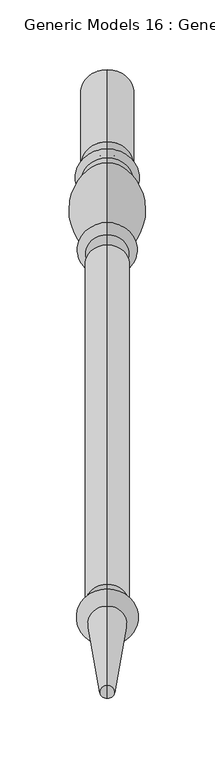
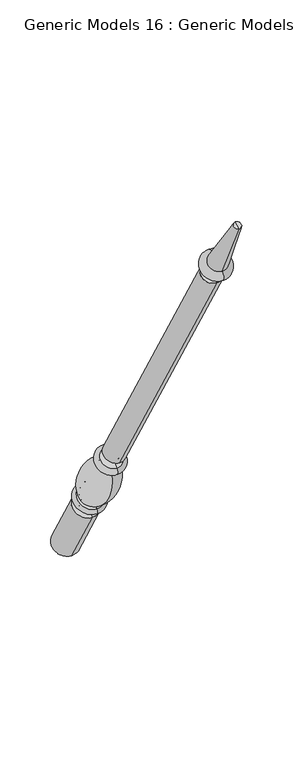
"""IFC4 building model written with IfcOpenShell, lengths in millimetres: proxy geometry, Generic Models 16 : Generic Models 2."""

import ifcopenshell
import ifcopenshell.guid

model = None  # the IFC model being written
_history = None  # IfcOwnerHistory: only IFC2X3 demands one
_inside = {}  # id of a spatial element -> (the spatial element, [elements in it])
_under = {}  # id of a project, library or spatial element -> (it, [spatial elements below it])
_declared = {}  # id of a project -> (the project, [libraries it declares])
_typed = {}  # id of a type object -> (the type object, [elements of that type])
_made_of = {}  # id of a material, layer set ... -> (it, [elements and type objects made of it])


def new_model(schema):
    """Start an empty IFC model of exactly this schema.

    Asked for "IFC4X3", IfcOpenShell would pick the latest addendum, in which some entities
    have other attributes; the version numbers below select the first issue.
    IFC2X3 requires an IfcOwnerHistory on every rooted entity: one is made here for all.
    """
    global model, _history
    if schema == "IFC4X3":
        model = ifcopenshell.file(schema_version=(4, 3, 0, 0))
    else:
        model = ifcopenshell.file(schema=schema)
    _inside.clear()
    _under.clear()
    _declared.clear()
    _typed.clear()
    _made_of.clear()
    _history = None
    if model.schema == "IFC2X3":
        org = make("IfcOrganization", Name="unknown")
        user = make(
            "IfcPersonAndOrganization",
            ThePerson=make("IfcPerson", FamilyName="unknown"),
            TheOrganization=org,
        )
        app = make(
            "IfcApplication",
            ApplicationDeveloper=org,
            Version="unknown",
            ApplicationFullName="unknown",
            ApplicationIdentifier="unknown",
        )
        _history = make(
            "IfcOwnerHistory",
            OwningUser=user,
            OwningApplication=app,
            ChangeAction="ADDED",
            CreationDate=0,
        )
    return model


def make(cls, **values):
    """One entity of the class cls with the attributes given. An attribute that is None is left unset."""
    return model.create_entity(
        cls, **{name: value for name, value in values.items() if value is not None}
    )


def rooted(cls, **values):
    """An entity with a GlobalId (a new one), such as an element, a storey or a relation."""
    return make(cls, GlobalId=ifcopenshell.guid.new(), OwnerHistory=_history, **values)


def si_unit(unit_type, name, prefix=None):
    """IfcSIUnit, for example si_unit("LENGTHUNIT", "METRE", prefix="MILLI")."""
    return make("IfcSIUnit", UnitType=unit_type, Prefix=prefix, Name=name)


def assignment(units):
    """IfcUnitAssignment: the units of a project."""
    return None if units is None else make("IfcUnitAssignment", Units=units)


def point(xyz):
    """IfcCartesianPoint."""
    return None if xyz is None else make("IfcCartesianPoint", Coordinates=xyz)


def direction(xyz):
    """IfcDirection."""
    return None if xyz is None else make("IfcDirection", DirectionRatios=xyz)


def frame(location, z_axis=None, x_axis=None):
    """IfcAxis2Placement3D, a coordinate frame: its origin and axes. An axis left out is left unset."""
    return make(
        "IfcAxis2Placement3D",
        Location=point(location),
        Axis=direction(z_axis),
        RefDirection=direction(x_axis),
    )


def origin():
    """The frame at (0, 0, 0) with its axes left unset."""
    return frame((0.0, 0.0, 0.0))


def place(relative_to, where):
    """IfcLocalPlacement: puts the frame where relative to a parent placement (None: the world)."""
    return make(
        "IfcLocalPlacement", PlacementRelTo=relative_to, RelativePlacement=where
    )


def context(
    kind, dimensions, precision=None, world=None, true_north=None, identifier=None
):
    """IfcGeometricRepresentationContext, for example the 3D "Model" context."""
    return make(
        "IfcGeometricRepresentationContext",
        ContextIdentifier=identifier,
        ContextType=kind,
        CoordinateSpaceDimension=dimensions,
        Precision=precision,
        WorldCoordinateSystem=world,
        TrueNorth=true_north,
    )


def project(units=None, contexts=None):
    """IfcProject with its units and contexts."""
    return rooted(
        "IfcProject",
        Name="project",
        RepresentationContexts=contexts,
        UnitsInContext=assignment(units),
    )


def spatial(cls, under=None, at=None, **own):
    """A site, building, storey or space (cls), placed at a placement, below another one or the project."""
    s = rooted(cls, ObjectPlacement=at, **own)
    if under is not None:
        _under.setdefault(under.id(), (under, []))[1].append(s)
    return s


def polyline(points):
    """IfcPolyline through the points."""
    return make("IfcPolyline", Points=[point(p) for p in points])


def circle_curve(where, radius):
    """IfcCircle in the frame where."""
    return make("IfcCircle", Position=where, Radius=radius)


def ellipse_curve(where, semi_axis1, semi_axis2):
    """IfcEllipse in the frame where."""
    return make(
        "IfcEllipse", Position=where, SemiAxis1=semi_axis1, SemiAxis2=semi_axis2
    )


def trimmed(basis, trim1, trim2, sense, master):
    """IfcTrimmedCurve: the piece of a basis curve between two trims."""
    return make(
        "IfcTrimmedCurve",
        BasisCurve=basis,
        Trim1=trim1,
        Trim2=trim2,
        SenseAgreement=sense,
        MasterRepresentation=master,
    )


def shape(context_of_items, identifier, shape_type, items):
    """IfcShapeRepresentation: the items that make up one representation, for example the "Body"."""
    return make(
        "IfcShapeRepresentation",
        ContextOfItems=context_of_items,
        RepresentationIdentifier=identifier,
        RepresentationType=shape_type,
        Items=items,
    )


def source(mapping_origin, context_of_items, identifier, shape_type, items):
    """IfcRepresentationMap: a shape defined once, which mapped items show again and again."""
    return make(
        "IfcRepresentationMap",
        MappingOrigin=mapping_origin,
        MappedRepresentation=shape(context_of_items, identifier, shape_type, items),
    )


def transform(
    local_origin,
    x_axis=None,
    y_axis=None,
    z_axis=None,
    scale=None,
    scale2=None,
    scale3=None,
    uniform=True,
):
    """IfcCartesianTransformationOperator3D, or its non-uniform kind. x_axis, y_axis, z_axis: its Axis1, 2, 3."""
    if uniform:
        return make(
            "IfcCartesianTransformationOperator3D",
            Axis1=direction(x_axis),
            Axis2=direction(y_axis),
            LocalOrigin=point(local_origin),
            Scale=scale,
            Axis3=direction(z_axis),
        )
    return make(
        "IfcCartesianTransformationOperator3DnonUniform",
        Axis1=direction(x_axis),
        Axis2=direction(y_axis),
        LocalOrigin=point(local_origin),
        Scale=scale,
        Axis3=direction(z_axis),
        Scale2=scale2,
        Scale3=scale3,
    )


def mapped(mapping_source, mapping_target):
    """IfcMappedItem: shows the shape of a source again, moved by a transform."""
    return make(
        "IfcMappedItem", MappingSource=mapping_source, MappingTarget=mapping_target
    )


def made_of(thing, what):
    """Note that an element or type object is made of a material, layer set ...; save() writes the relation."""
    if what is not None:
        _made_of.setdefault(what.id(), (what, []))[1].append(thing)
    return thing


def element(
    cls,
    number,
    at=None,
    inside=None,
    cuts=None,
    type_object=None,
    material=None,
    context=None,
    identifier="Body",
    shape_type=None,
    held_by="IfcProductDefinitionShape",
    body=None,
    shapes=None,
    **own,
):
    """One element of the class cls, such as IfcWall. Its Tag is "e" and its number.

    at: its placement. inside: the storey or other place that contains it. cuts: it is an
    opening in that element (IfcRelVoidsElement). A single representation is given by context,
    identifier, shape_type and body (its items); several are given by shapes. held_by: the class
    of the entity that holds the representations. save() writes the other relations.
    """
    e = rooted(cls, Tag="e%d" % number, ObjectPlacement=at, **own)
    if body is not None:
        shapes = [shape(context, identifier, shape_type, body)]
    if shapes is not None:
        e.Representation = make(held_by, Representations=shapes)
    if inside is not None:
        _inside.setdefault(inside.id(), (inside, []))[1].append(e)
    if cuts is not None:
        rooted(
            "IfcRelVoidsElement", RelatingBuildingElement=cuts, RelatedOpeningElement=e
        )
    if type_object is not None:
        _typed.setdefault(type_object.id(), (type_object, []))[1].append(e)
    return made_of(e, material)


def aggregate(whole, parts):
    """IfcRelAggregates: a whole, such as a stair, and the parts it consists of."""
    return rooted("IfcRelAggregates", RelatingObject=whole, RelatedObjects=parts)


def save(model, path):
    """Write the relations noted so far, then the file.

    IfcRelAggregates (storeys below a building ...), IfcRelContainedInSpatialStructure (elements
    in a storey), IfcRelDefinesByType, IfcRelAssociatesMaterial and IfcRelDeclares: one each for
    every whole, place, type object, material and project.
    """
    for whole, parts in _under.values():
        aggregate(whole, parts)
    for where, things in _inside.values():
        rooted(
            "IfcRelContainedInSpatialStructure",
            RelatedElements=things,
            RelatingStructure=where,
        )
    for kind, things in _typed.values():
        rooted("IfcRelDefinesByType", RelatedObjects=things, RelatingType=kind)
    for what, things in _made_of.values():
        rooted("IfcRelAssociatesMaterial", RelatedObjects=things, RelatingMaterial=what)
    for by, libraries in _declared.values():
        rooted("IfcRelDeclares", RelatingContext=by, RelatedDefinitions=libraries)
    model.write(path)


def plane_surface(at):
    """IfcPlane: the flat surface through the origin of the frame at, square to its z axis."""
    return make("IfcPlane", Position=at)


def cylinder_surface(at, radius):
    """IfcCylindricalSurface: all points at the distance radius from the z axis of the frame at."""
    return make("IfcCylindricalSurface", Position=at, Radius=radius)


def revolved_surface(curve, axis_point, axis_direction):
    """IfcSurfaceOfRevolution: the curve turned about the line through axis_point along axis_direction."""
    return make(
        "IfcSurfaceOfRevolution",
        SweptCurve=make("IfcArbitraryOpenProfileDef", ProfileType="CURVE", Curve=curve),
        AxisPosition=make("IfcAxis1Placement", Location=point(axis_point), Axis=direction(axis_direction)),
    )


def advanced_brep(points, edges, surfaces, faces):
    """IfcAdvancedBrep: a solid bounded by faces that lie on surfaces and meet in shared edges.

    An edge is (start, end): straight between two places in points (the first is 0);
    or (start, end, curve); or (start, end, curve, False) where it runs against its curve.
    A face is (place in surfaces, loops), or (place, loops, False) where it looks against
    its surface's normal. A loop lists edges by number (the first is 1), with a minus sign
    where the edge is run from its end to its start. The first loop is the outer one.
    """
    corners = [point(p) for p in points]
    vertices = [make("IfcVertexPoint", VertexGeometry=c) for c in corners]
    made = []
    for start, end, *more in edges:
        made.append(
            make(
                "IfcEdgeCurve",
                EdgeStart=vertices[start],
                EdgeEnd=vertices[end],
                EdgeGeometry=more[0] if more else make("IfcPolyline", Points=[corners[start], corners[end]]),
                SameSense=more[1] if len(more) > 1 else True,
            )
        )
    hull = []
    for where, loops, *sense in faces:
        bounds = []
        for j, loop in enumerate(loops):
            ring = [make("IfcOrientedEdge", EdgeElement=made[abs(k) - 1], Orientation=k > 0) for k in loop]
            bounds.append(
                make(
                    "IfcFaceOuterBound" if j == 0 else "IfcFaceBound",
                    Bound=make("IfcEdgeLoop", EdgeList=ring),
                    Orientation=True,
                )
            )
        hull.append(make("IfcAdvancedFace", Bounds=bounds, FaceSurface=surfaces[where], SameSense=sense[0] if sense else True))
    return make("IfcAdvancedBrep", Outer=make("IfcClosedShell", CfsFaces=hull))


def generic_models_16_generic_models_2_70a27b95(model_context):
    return source(origin(), model_context, "Body", "AdvancedBrep", [
        advanced_brep(
        [(-578.2684498, 1861.1601077, 610.5814746), (-578.2684498, 1828.1645398, 591.5314746), (-578.2684498, 1880.0576333, 501.65), (-578.2684498, 1913.0532012, 520.7), (-578.2684498, 1853.6896456, 623.5206944), (-578.2684498, 1820.6940777, 604.4706944), (-578.2684498, 1849.5864045, 630.6277165), (-578.2684498, 1816.5908366, 611.5777165), (-578.2684498, 1845.9182158, 636.9812058), (-578.2684498, 1812.9226479, 617.9312058), (-578.2684498, 1801.1569262, 703.055156), (-578.2684498, 1778.0815733, 689.7325947), (-578.2684498, 1799.8610191, 710.4046105), (-578.2684498, 1772.3647125, 694.5296105), (-578.2684498, 1794.1590629, 720.2806883), (-578.2684498, 1766.6627563, 704.4056883), (-578.2684498, 1786.7732215, 733.0733408), (-578.2684498, 1759.276915, 717.1983408), (-578.2684498, 1542.2982215, 1156.516462), (-578.2684498, 1514.801915, 1140.641462), (-578.2684498, 1537.2251467, 1153.5875209), (-578.2684498, 1519.8749898, 1143.5704031), (-578.2684498, 1531.1910418, 1164.0388972), (-578.2684498, 1513.8408848, 1154.0217794), (-578.2684498, 1534.7597609, 1166.0992981), (-578.2684498, 1510.2721658, 1151.9613785), (-578.2684498, 1526.5847892, 1180.2587644), (-578.2684498, 1502.0971941, 1166.1208448), (-578.2684498, 1469.4852742, 1261.8053229), (-578.2684498, 1460.0255603, 1256.3437545), (-578.2684498, 1464.7554173, 1259.0745387), (-578.2684498, 1896.5554173, 511.175)],
        [
            (0, 1, circle_curve(frame((-578.2684498, 1844.6623237, 601.0564746), z_axis=(0.0, 0.5000000000000062, -0.8660254037844352), x_axis=(0.0, -0.8660254037844352, -0.5000000000000062)), 19.05)),
            (1, 2),
            (2, 3, circle_curve(frame((-578.2684498, 1896.5554173, 511.175), z_axis=(0.0, -0.5000000000000062, 0.8660254037844352), x_axis=(0.0, -0.8660254037844352, -0.5000000000000062)), 19.05)),
            (3, 0),
            (1, 0, circle_curve(frame((-578.2684498, 1844.6623237, 601.0564746), z_axis=(0.0, 0.5000000000000062, -0.8660254037844352), x_axis=(0.0, -0.8660254037844352, -0.5000000000000062)), 19.05)),
            (3, 2, circle_curve(frame((-578.2684498, 1896.5554173, 511.175), z_axis=(0.0, -0.5000000000000062, 0.8660254037844352), x_axis=(0.0, -0.8660254037844352, -0.5000000000000062)), 19.05)),
            (4, 5, circle_curve(frame((-578.2684498, 1837.1918617, 613.9956944), z_axis=(0.0, 0.5000000000000062, -0.8660254037844352), x_axis=(0.0, -0.8660254037844352, -0.5000000000000062)), 19.05)),
            (5, 1, circle_curve(frame((-578.2684498, 1821.8102989, 596.4889985), z_axis=(-1.0, 0.0, 0.0), x_axis=(0.0, 0.8660254037844352, 0.5000000000000062)), 8.0593685)),
            (0, 4, circle_curve(frame((-578.2684498, 1860.0438865, 618.5631706), z_axis=(-1.0, 0.0, 0.0), x_axis=(0.0, -0.8660254037844352, -0.5000000000000062)), 8.0593685)),
            (5, 4, circle_curve(frame((-578.2684498, 1837.1918617, 613.9956944), z_axis=(0.0, 0.5000000000000062, -0.8660254037844352), x_axis=(0.0, -0.8660254037844352, -0.5000000000000062)), 19.05)),
            (6, 7, circle_curve(frame((-578.2684498, 1833.0886205, 621.1027165), z_axis=(0.0, 0.5000000000000062, -0.8660254037844352), x_axis=(0.0, -0.8660254037844352, -0.5000000000000062)), 19.05)),
            (7, 5, circle_curve(frame((-578.2684498, 1818.6424572, 608.0242055), z_axis=(1.0, 0.0, 0.0), x_axis=(0.0, 0.8660254037844352, 0.5000000000000062)), 4.1032411)),
            (4, 6, circle_curve(frame((-578.2684498, 1851.638025, 627.0742055), z_axis=(1.0, 0.0, 0.0), x_axis=(0.0, -0.8660254037844352, -0.5000000000000062)), 4.1032411)),
            (7, 6, circle_curve(frame((-578.2684498, 1833.0886205, 621.1027165), z_axis=(0.0, 0.5000000000000062, -0.8660254037844352), x_axis=(0.0, -0.8660254037844352, -0.5000000000000062)), 19.05)),
            (8, 9, circle_curve(frame((-578.2684498, 1829.4204318, 627.4562058), z_axis=(0.0, 0.5000000000000062, -0.8660254037844352), x_axis=(0.0, -0.8660254037844352, -0.5000000000000062)), 19.05)),
            (9, 7, circle_curve(frame((-578.2684498, 1813.3633086, 613.9499618), z_axis=(-1.0, 0.0, 0.0), x_axis=(0.0, 0.8660254037844352, 0.5000000000000062)), 4.0055568)),
            (6, 8, circle_curve(frame((-578.2684498, 1849.1457438, 634.6089605), z_axis=(-1.0, 0.0, 0.0), x_axis=(0.0, -0.8660254037844352, -0.5000000000000062)), 4.0055568)),
            (9, 8, circle_curve(frame((-578.2684498, 1829.4204318, 627.4562058), z_axis=(0.0, 0.5000000000000062, -0.8660254037844352), x_axis=(0.0, -0.8660254037844352, -0.5000000000000062)), 19.05)),
            (10, 11, circle_curve(frame((-578.2684498, 1789.6192497, 696.3938754), z_axis=(0.0, 0.5000000000000062, -0.8660254037844352), x_axis=(0.0, -0.8660254037844352, -0.5000000000000062)), 13.3225612)),
            (11, 9, circle_curve(frame((-578.2684498, 1854.1299968, 682.2806335), z_axis=(1.0, 0.0, 0.0), x_axis=(0.0, 0.8660254037844352, 0.5000000000000062)), 76.412659)),
            (8, 10, circle_curve(frame((-578.2684498, 1769.5863022, 633.4693086), z_axis=(1.0, 0.0, 0.0), x_axis=(0.0, -0.8660254037844352, -0.5000000000000062)), 76.412659)),
            (11, 10, circle_curve(frame((-578.2684498, 1789.6192497, 696.3938754), z_axis=(0.0, 0.5000000000000062, -0.8660254037844352), x_axis=(0.0, -0.8660254037844352, -0.5000000000000062)), 13.3225612)),
            (12, 13, circle_curve(frame((-578.2684498, 1786.1128658, 702.4671105), z_axis=(0.0, 0.5000000000000062, -0.8660254037844352), x_axis=(0.0, -0.8660254037844352, -0.5000000000000062)), 15.875)),
            (13, 11, circle_curve(frame((-578.2684498, 1773.4069828, 689.9666873), z_axis=(-1.0, 0.0, 0.0), x_axis=(0.0, 0.8660254037844352, 0.5000000000000062)), 4.6804482)),
            (10, 12, circle_curve(frame((-578.2684498, 1803.2914914, 707.2205164), z_axis=(-1.0, 0.0, 0.0), x_axis=(0.0, -0.8660254037844352, -0.5000000000000062)), 4.6804482)),
            (13, 12, circle_curve(frame((-578.2684498, 1786.1128658, 702.4671105), z_axis=(0.0, 0.5000000000000062, -0.8660254037844352), x_axis=(0.0, -0.8660254037844352, -0.5000000000000062)), 15.875)),
            (14, 15, circle_curve(frame((-578.2684498, 1780.4109096, 712.3431883), z_axis=(0.0, 0.5000000000000062, -0.8660254037844352), x_axis=(0.0, -0.8660254037844352, -0.5000000000000062)), 15.875)),
            (15, 13, circle_curve(frame((-578.2684498, 1769.5137344, 699.4676494), z_axis=(1.0, 0.0, 0.0), x_axis=(0.0, 0.8660254037844352, 0.5000000000000062)), 5.7019562)),
            (12, 14, circle_curve(frame((-578.2684498, 1797.010041, 715.3426494), z_axis=(1.0, 0.0, 0.0), x_axis=(0.0, -0.8660254037844352, -0.5000000000000062)), 5.7019562)),
            (15, 14, circle_curve(frame((-578.2684498, 1780.4109096, 712.3431883), z_axis=(0.0, 0.5000000000000062, -0.8660254037844352), x_axis=(0.0, -0.8660254037844352, -0.5000000000000062)), 15.875)),
            (16, 17, circle_curve(frame((-578.2684498, 1773.0250683, 725.1358408), z_axis=(0.0, 0.5000000000000062, -0.8660254037844352), x_axis=(0.0, -0.8660254037844352, -0.5000000000000062)), 15.875)),
            (17, 15, circle_curve(frame((-578.2684498, 1762.9698356, 710.8020145), z_axis=(-1.0, 0.0, 0.0), x_axis=(0.0, 0.8660254037844352, 0.5000000000000062)), 7.3858413)),
            (14, 16, circle_curve(frame((-578.2684498, 1790.4661422, 726.6770145), z_axis=(-1.0, 0.0, 0.0), x_axis=(0.0, -0.8660254037844352, -0.5000000000000062)), 7.3858413)),
            (17, 16, circle_curve(frame((-578.2684498, 1773.0250683, 725.1358408), z_axis=(0.0, 0.5000000000000062, -0.8660254037844352), x_axis=(0.0, -0.8660254037844352, -0.5000000000000062)), 15.875)),
            (18, 19, circle_curve(frame((-578.2684498, 1528.5500683, 1148.578962), z_axis=(0.0, 0.5000000000000062, -0.8660254037844352), x_axis=(0.0, -0.8660254037844352, -0.5000000000000062)), 15.875)),
            (19, 17),
            (16, 18),
            (19, 18, circle_curve(frame((-578.2684498, 1528.5500683, 1148.578962), z_axis=(0.0, 0.5000000000000062, -0.8660254037844352), x_axis=(0.0, -0.8660254037844352, -0.5000000000000062)), 15.875)),
            (20, 21, circle_curve(frame((-578.2684498, 1528.5500683, 1148.578962), z_axis=(0.0, 0.5000000000000062, -0.8660254037844352), x_axis=(0.0, -0.8660254037844352, -0.5000000000000062)), 10.0171178)),
            (21, 19),
            (18, 20),
            (21, 20, circle_curve(frame((-578.2684498, 1528.5500683, 1148.578962), z_axis=(0.0, 0.5000000000000062, -0.8660254037844352), x_axis=(0.0, -0.8660254037844352, -0.5000000000000062)), 10.0171178)),
            (22, 23, circle_curve(frame((-578.2684498, 1522.5159633, 1159.0303383), z_axis=(0.0, 0.5000000000000062, -0.8660254037844352), x_axis=(0.0, -0.8660254037844352, -0.5000000000000062)), 10.0171178)),
            (23, 21, circle_curve(frame((-578.2684498, 1515.3020818, 1147.8978177), z_axis=(-1.0, 0.0, 0.0), x_axis=(0.0, 0.8660254037844352, 0.5000000000000062)), 6.295872)),
            (20, 22, circle_curve(frame((-578.2684498, 1535.7639497, 1159.7114826), z_axis=(-1.0, 0.0, 0.0), x_axis=(0.0, -0.8660254037844352, -0.5000000000000062)), 6.295872)),
            (23, 22, circle_curve(frame((-578.2684498, 1522.5159633, 1159.0303383), z_axis=(0.0, 0.5000000000000062, -0.8660254037844352), x_axis=(0.0, -0.8660254037844352, -0.5000000000000062)), 10.0171178)),
            (24, 25, circle_curve(frame((-578.2684498, 1522.5159633, 1159.0303383), z_axis=(0.0, 0.5000000000000062, -0.8660254037844352), x_axis=(0.0, -0.8660254037844352, -0.5000000000000062)), 14.1379196)),
            (25, 23),
            (22, 24),
            (25, 24, circle_curve(frame((-578.2684498, 1522.5159633, 1159.0303383), z_axis=(0.0, 0.5000000000000062, -0.8660254037844352), x_axis=(0.0, -0.8660254037844352, -0.5000000000000062)), 14.1379196)),
            (26, 27, circle_curve(frame((-578.2684498, 1514.3409916, 1173.1898046), z_axis=(0.0, 0.5000000000000062, -0.8660254037844352), x_axis=(0.0, -0.8660254037844352, -0.5000000000000062)), 14.1379196)),
            (27, 25, circle_curve(frame((-578.2684498, 1506.1846799, 1159.0411116), z_axis=(1.0, 0.0, 0.0), x_axis=(0.0, 0.8660254037844352, 0.5000000000000062)), 8.1749717)),
            (24, 26, circle_curve(frame((-578.2684498, 1530.672275, 1173.1790313), z_axis=(1.0, 0.0, 0.0), x_axis=(0.0, -0.8660254037844352, -0.5000000000000062)), 8.1749717)),
            (27, 26, circle_curve(frame((-578.2684498, 1514.3409916, 1173.1898046), z_axis=(0.0, 0.5000000000000062, -0.8660254037844352), x_axis=(0.0, -0.8660254037844352, -0.5000000000000062)), 14.1379196)),
            (28, 29, circle_curve(frame((-578.2684498, 1464.7554173, 1259.0745387), z_axis=(0.0, 0.5000000000000062, -0.8660254037844352), x_axis=(0.0, -0.8660254037844352, -0.5000000000000062)), 5.4615684)),
            (29, 27),
            (26, 28),
            (29, 28, circle_curve(frame((-578.2684498, 1464.7554173, 1259.0745387), z_axis=(0.0, 0.5000000000000062, -0.8660254037844352), x_axis=(0.0, -0.8660254037844352, -0.5000000000000062)), 5.4615684)),
            (30, 29),
            (28, 30),
            (2, 31),
            (31, 3),
        ],
        [
            cylinder_surface(frame((-578.2684498, 1464.7554173, 1259.0745387), z_axis=(0.0, -0.5000000000000062, 0.8660254037844352), x_axis=(0.0, -0.8660254037844352, -0.5000000000000062)), 19.05),
            revolved_surface(trimmed(ellipse_curve(frame((-578.2684498, 1821.8102989, 596.4889985), z_axis=(1.0, 0.0, 0.0), x_axis=(0.0, 0.8660254037844352, 0.5000000000000062)), 8.0593685, 8.0593685), [point((-578.2684498, 1828.1645398, 591.5314746))], [point((-578.2684498, 1820.6940777, 604.4706944))], True, "CARTESIAN"), (-578.2684498, 1464.7554173, 1259.0745387), (0.0, -0.5000000000000062, 0.8660254037844352)),
            revolved_surface(trimmed(ellipse_curve(frame((-578.2684498, 1818.6424572, 608.0242055), z_axis=(-1.0, 0.0, 0.0), x_axis=(0.0, 0.8660254037844352, 0.5000000000000062)), 4.1032411, 4.1032411), [point((-578.2684498, 1820.6940777, 604.4706944))], [point((-578.2684498, 1816.5908366, 611.5777165))], True, "CARTESIAN"), (-578.2684498, 1464.7554173, 1259.0745387), (0.0, -0.5000000000000062, 0.8660254037844352)),
            revolved_surface(trimmed(ellipse_curve(frame((-578.2684498, 1813.3633086, 613.9499618), z_axis=(1.0, 0.0, 0.0), x_axis=(0.0, 0.8660254037844352, 0.5000000000000062)), 4.0055568, 4.0055568), [point((-578.2684498, 1816.5908366, 611.5777165))], [point((-578.2684498, 1812.9226479, 617.9312058))], True, "CARTESIAN"), (-578.2684498, 1464.7554173, 1259.0745387), (0.0, -0.5000000000000062, 0.8660254037844352)),
            revolved_surface(trimmed(ellipse_curve(frame((-578.2684498, 1854.1299968, 682.2806335), z_axis=(-1.0, 0.0, 0.0), x_axis=(0.0, 0.8660254037844352, 0.5000000000000062)), 76.412659, 76.412659), [point((-578.2684498, 1812.9226479, 617.9312058))], [point((-578.2684498, 1778.0815733, 689.7325947))], True, "CARTESIAN"), (-578.2684498, 1464.7554173, 1259.0745387), (0.0, -0.5000000000000062, 0.8660254037844352)),
            revolved_surface(trimmed(ellipse_curve(frame((-578.2684498, 1773.4069828, 689.9666873), z_axis=(1.0, 0.0, 0.0), x_axis=(0.0, 0.8660254037844352, 0.5000000000000062)), 4.6804482, 4.6804482), [point((-578.2684498, 1778.0815733, 689.7325947))], [point((-578.2684498, 1772.3647125, 694.5296105))], True, "CARTESIAN"), (-578.2684498, 1464.7554173, 1259.0745387), (0.0, -0.5000000000000062, 0.8660254037844352)),
            revolved_surface(trimmed(ellipse_curve(frame((-578.2684498, 1769.5137344, 699.4676494), z_axis=(-1.0, 0.0, 0.0), x_axis=(0.0, 0.8660254037844352, 0.5000000000000062)), 5.7019562, 5.7019562), [point((-578.2684498, 1772.3647125, 694.5296105))], [point((-578.2684498, 1766.6627563, 704.4056883))], True, "CARTESIAN"), (-578.2684498, 1464.7554173, 1259.0745387), (0.0, -0.5000000000000062, 0.8660254037844352)),
            revolved_surface(trimmed(ellipse_curve(frame((-578.2684498, 1762.9698356, 710.8020145), z_axis=(1.0, 0.0, 0.0), x_axis=(0.0, 0.8660254037844352, 0.5000000000000062)), 7.3858413, 7.3858413), [point((-578.2684498, 1766.6627563, 704.4056883))], [point((-578.2684498, 1759.276915, 717.1983408))], True, "CARTESIAN"), (-578.2684498, 1464.7554173, 1259.0745387), (0.0, -0.5000000000000062, 0.8660254037844352)),
            cylinder_surface(frame((-578.2684498, 1464.7554173, 1259.0745387), z_axis=(0.0, -0.5000000000000062, 0.8660254037844352), x_axis=(0.0, -0.8660254037844352, -0.5000000000000062)), 15.875),
            plane_surface(frame((-578.2684498, 1528.5500683, 1148.578962), z_axis=(0.0, -0.5000000000000062, 0.8660254037844352), x_axis=(0.0, -0.8660254037844352, -0.5000000000000062))),
            revolved_surface(trimmed(ellipse_curve(frame((-578.2684498, 1515.3020818, 1147.8978177), z_axis=(1.0, 0.0, 0.0), x_axis=(0.0, 0.8660254037844352, 0.5000000000000062)), 6.295872, 6.295872), [point((-578.2684498, 1519.8749898, 1143.5704031))], [point((-578.2684498, 1513.8408848, 1154.0217794))], True, "CARTESIAN"), (-578.2684498, 1464.7554173, 1259.0745387), (0.0, -0.5000000000000062, 0.8660254037844352)),
            plane_surface(frame((-578.2684498, 1522.5159633, 1159.0303383), z_axis=(0.0, 0.5000000000000062, -0.8660254037844352), x_axis=(0.0, -0.8660254037844352, -0.5000000000000062))),
            revolved_surface(trimmed(ellipse_curve(frame((-578.2684498, 1506.1846799, 1159.0411116), z_axis=(-1.0, 0.0, 0.0), x_axis=(0.0, 0.8660254037844352, 0.5000000000000062)), 8.1749717, 8.1749717), [point((-578.2684498, 1510.2721658, 1151.9613785))], [point((-578.2684498, 1502.0971941, 1166.1208448))], True, "CARTESIAN"), (-578.2684498, 1464.7554173, 1259.0745387), (0.0, -0.5000000000000062, 0.8660254037844352)),
            revolved_surface(polyline([(-578.2684498, 1502.0971941, 1166.1208448), (-578.2684498, 1460.0255603, 1256.3437545)]), (-578.2684498, 1464.7554173, 1259.0745387), (0.0, -0.5000000000000062, 0.8660254037844352)),
            plane_surface(frame((-578.2684498, 1464.7554173, 1259.0745387), z_axis=(0.0, -0.5000000000000062, 0.8660254037844352), x_axis=(0.0, -0.8660254037844352, -0.5000000000000062))),
            plane_surface(frame((-578.2684498, 1896.5554173, 511.175), z_axis=(0.0, 0.5000000000000062, -0.8660254037844352), x_axis=(0.0, -0.8660254037844352, -0.5000000000000062))),
        ],
        [
            (0, [[1, 2, 3, 4]]),
            (0, [[5, -4, 6, -2]]),
            (1, [[7, 8, -1, 9]]),
            (1, [[10, -9, -5, -8]]),
            (2, [[11, 12, -7, 13]]),
            (2, [[14, -13, -10, -12]]),
            (3, [[15, 16, -11, 17]]),
            (3, [[18, -17, -14, -16]]),
            (4, [[19, 20, -15, 21]]),
            (4, [[22, -21, -18, -20]]),
            (5, [[23, 24, -19, 25]]),
            (5, [[26, -25, -22, -24]]),
            (6, [[27, 28, -23, 29]]),
            (6, [[30, -29, -26, -28]]),
            (7, [[31, 32, -27, 33]]),
            (7, [[34, -33, -30, -32]]),
            (8, [[35, 36, -31, 37]]),
            (8, [[38, -37, -34, -36]]),
            (9, [[39, 40, -35, 41]]),
            (9, [[42, -41, -38, -40]]),
            (10, [[43, 44, -39, 45]]),
            (10, [[46, -45, -42, -44]]),
            (11, [[47, 48, -43, 49]]),
            (11, [[50, -49, -46, -48]]),
            (12, [[51, 52, -47, 53]]),
            (12, [[54, -53, -50, -52]]),
            (13, [[55, 56, -51, 57]]),
            (13, [[58, -57, -54, -56]]),
            (14, [[59, -55, 60]]),
            (14, [[-60, -58, -59]]),
            (15, [[-3, 61, 62]]),
            (15, [[-6, -62, -61]]),
        ],
    ),
    ])


if __name__ == "__main__":
    model = new_model("IFC4")
    model_context = context("Model", 3, world=origin())
    ifc_project = project(units=[si_unit("LENGTHUNIT", "METRE", prefix="MILLI")], contexts=[model_context])
    site = spatial("IfcSite", under=ifc_project)
    building = spatial("IfcBuilding", under=site)
    placement = place(None, origin())
    generic_models_16_generic_models_2_shape = generic_models_16_generic_models_2_70a27b95(model_context)
    element("IfcBuildingElementProxy", 1, Name="Generic Models 16 : Generic Models 2", ObjectType="Generic Models 16 : Generic Models 2", at=placement, inside=building, context=model_context, shape_type="MappedRepresentation", body=[
        mapped(generic_models_16_generic_models_2_shape, transform((0.0, 0.0, 0.0), x_axis=(1.0, 0.0, 0.0), y_axis=(0.0, 1.0, 0.0), z_axis=(0.0, 0.0, 1.0))),
    ])
    save(model, "model.ifc")
